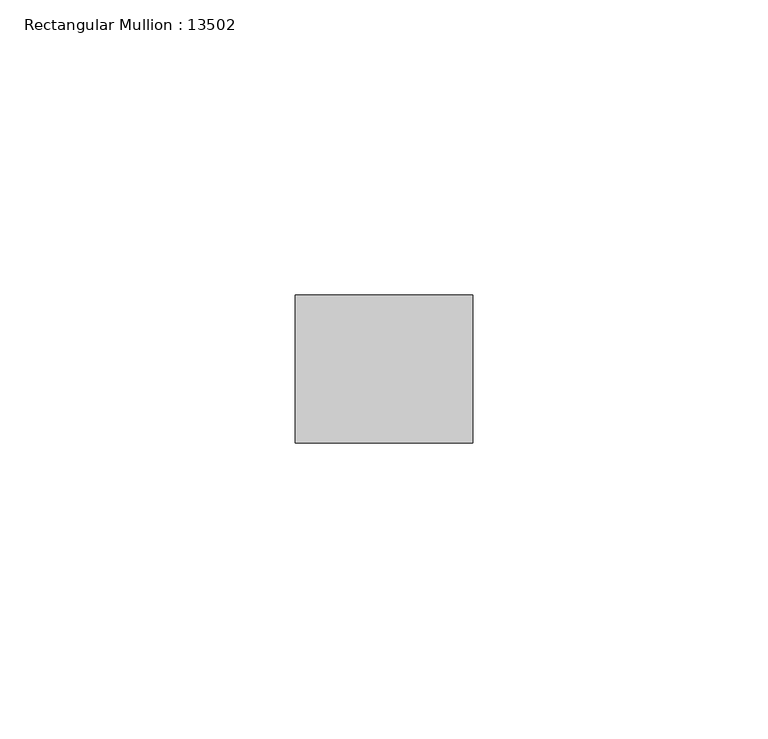
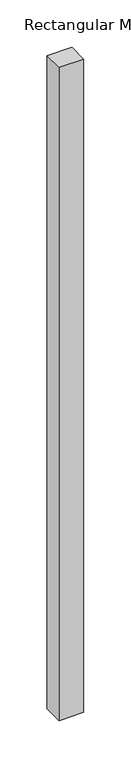
"""IFC4 building model written with IfcOpenShell, lengths in millimetres: member geometry, Rectangular Mullion : 13502."""

from ifc_helpers import new_model, si_unit, frame, origin, place, context, project, spatial, polyline, outline, extrude, source, transform, mapped, element, save


def rectangular_mullion_13502_98c13bea(model_context):
    return source(origin(), model_context, "Body", "SweptSolid", [
        extrude(outline(polyline([(-29.9999993, 12.5), (0.0, 12.5), (0.0, -12.5), (-29.9999993, -12.5), (-29.9999993, 12.5)])), frame((0.0, 0.0, -840.0), z_axis=(0.0, 0.0, 1.0), x_axis=(1.0, 0.0, 0.0)), (0.0, 0.0, 1.0), 840.0),
    ])


if __name__ == "__main__":
    model = new_model("IFC4")
    model_context = context("Model", 3, world=origin())
    ifc_project = project(units=[si_unit("LENGTHUNIT", "METRE", prefix="MILLI")], contexts=[model_context])
    site = spatial("IfcSite", under=ifc_project)
    building = spatial("IfcBuilding", under=site)
    placement = place(None, origin())
    rectangular_mullion_13502_shape = rectangular_mullion_13502_98c13bea(model_context)
    element("IfcMember", 1, ObjectType="Rectangular Mullion : 13502", at=placement, inside=building, context=model_context, shape_type="MappedRepresentation", body=[
        mapped(rectangular_mullion_13502_shape, transform((0.0, 0.0, 0.0), x_axis=(1.0, 0.0, 0.0), y_axis=(0.0, 1.0, 0.0), z_axis=(0.0, 0.0, 1.0))),
    ])
    save(model, "model.ifc")
